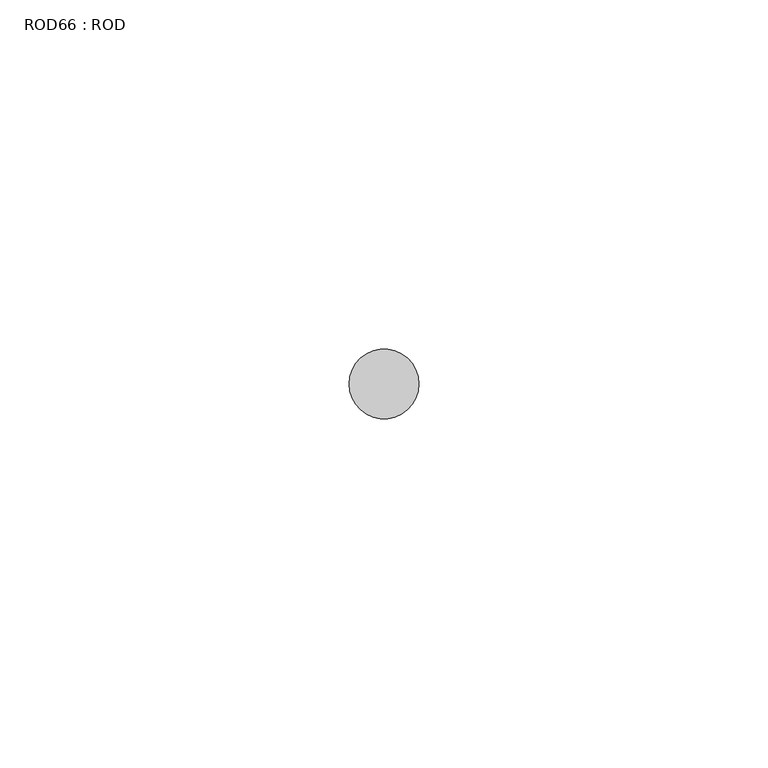
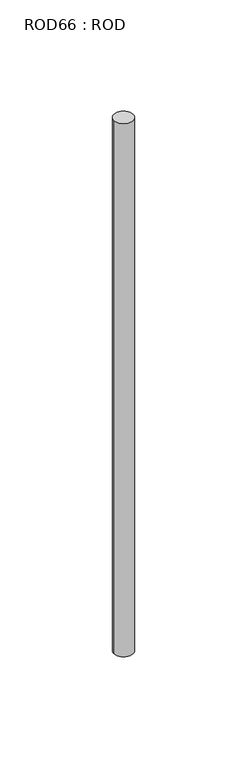
"""IFC4 building model written with IfcOpenShell, lengths in millimetres: proxy geometry, ROD66 : ROD."""

from ifc_helpers import new_model, si_unit, point, frame, frame_2d, origin, place, context, project, spatial, circle_curve, trimmed, segment, composite_curve, outline, extrude, source, transform, mapped, element, save


def rod66_rod_9e62966a(model_context):
    return source(origin(), model_context, "Body", "SweptSolid", [
        extrude(outline(composite_curve([segment(trimmed(circle_curve(frame_2d((-4100.2326676, -10466.6028424)), 5.0), [point((-4105.2326676, -10466.6028424))], [point((-4095.2326676, -10466.6028424))], False, "CARTESIAN"), True, "CONTINUOUS"), segment(trimmed(circle_curve(frame_2d((-4100.2326676, -10466.6028424)), 5.0), [point((-4095.2326676, -10466.6028424))], [point((-4105.2326676, -10466.6028424))], False, "CARTESIAN"), True, "CONTINUOUS")], self_intersect=False)), frame((0.0, 0.0, -108.6608845), z_axis=(0.0, 0.0, 1.0), x_axis=(1.0, 0.0, 0.0)), (0.0, 0.0, 1.0), 298.9028972),
    ])


if __name__ == "__main__":
    model = new_model("IFC4")
    model_context = context("Model", 3, world=origin())
    ifc_project = project(units=[si_unit("LENGTHUNIT", "METRE", prefix="MILLI")], contexts=[model_context])
    site = spatial("IfcSite", under=ifc_project)
    building = spatial("IfcBuilding", under=site)
    placement = place(None, origin())
    rod66_rod_shape = rod66_rod_9e62966a(model_context)
    element("IfcBuildingElementProxy", 1, Name="ROD66 : ROD", ObjectType="ROD66 : ROD", at=placement, inside=building, context=model_context, shape_type="MappedRepresentation", body=[
        mapped(rod66_rod_shape, transform((0.0, 0.0, 0.0), x_axis=(1.0, 0.0, 0.0), y_axis=(0.0, 1.0, 0.0), z_axis=(0.0, 0.0, 1.0))),
    ])
    save(model, "model.ifc")
